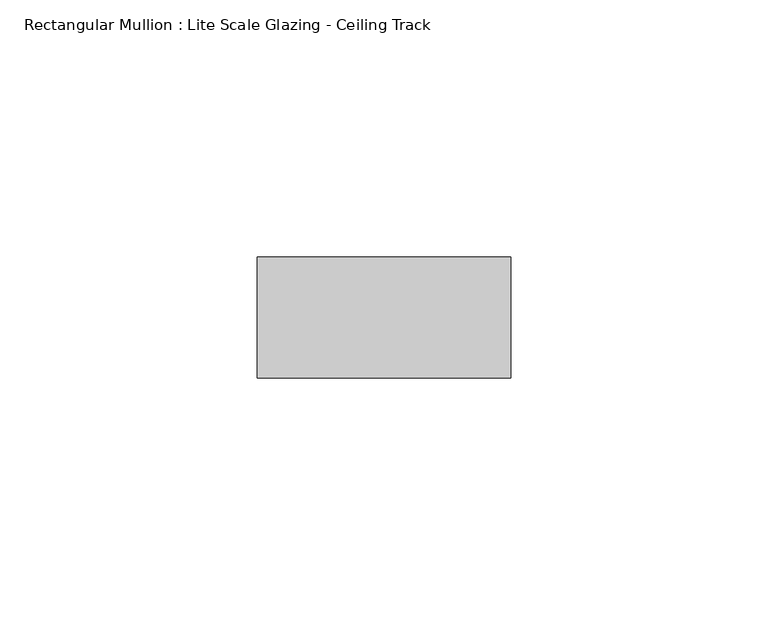
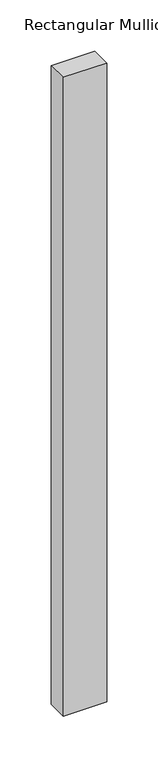
"""IFC4 building model written with IfcOpenShell, lengths in millimetres: member geometry, Rectangular Mullion : Lite Scale Glazing - Ceiling Track."""

from ifc_helpers import new_model, si_unit, frame, origin, place, context, project, spatial, polyline, outline, extrude, source, transform, mapped, element, save


def rectangular_mullion_lite_scale_glazing_ceiling_track_35571366(model_context):
    return source(origin(), model_context, "Body", "SweptSolid", [
        extrude(outline(polyline([(-11.7474999, 0.0037164), (11.7474999, -0.0037164), (11.7474999, -763.7265464), (-11.7474999, -763.7265464), (-11.7474999, 0.0037164)])), frame((-49.276, 0.0, 0.0), z_axis=(1.0, 0.0, 0.0), x_axis=(0.0, 1.0, 0.0)), (0.0, 0.0, 1.0), 49.276),
    ])


if __name__ == "__main__":
    model = new_model("IFC4")
    model_context = context("Model", 3, world=origin())
    ifc_project = project(units=[si_unit("LENGTHUNIT", "METRE", prefix="MILLI")], contexts=[model_context])
    site = spatial("IfcSite", under=ifc_project)
    building = spatial("IfcBuilding", under=site)
    placement = place(None, origin())
    rectangular_mullion_lite_scale_glazing_ceiling_track_shape = rectangular_mullion_lite_scale_glazing_ceiling_track_35571366(model_context)
    element("IfcMember", 1, ObjectType="Rectangular Mullion : Lite Scale Glazing - Ceiling Track", at=placement, inside=building, context=model_context, shape_type="MappedRepresentation", body=[
        mapped(rectangular_mullion_lite_scale_glazing_ceiling_track_shape, transform((0.0, 0.0, 0.0), x_axis=(1.0, 0.0, 0.0), y_axis=(0.0, 1.0, 0.0), z_axis=(0.0, 0.0, 1.0))),
    ])
    save(model, "model.ifc")
